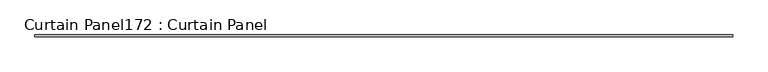
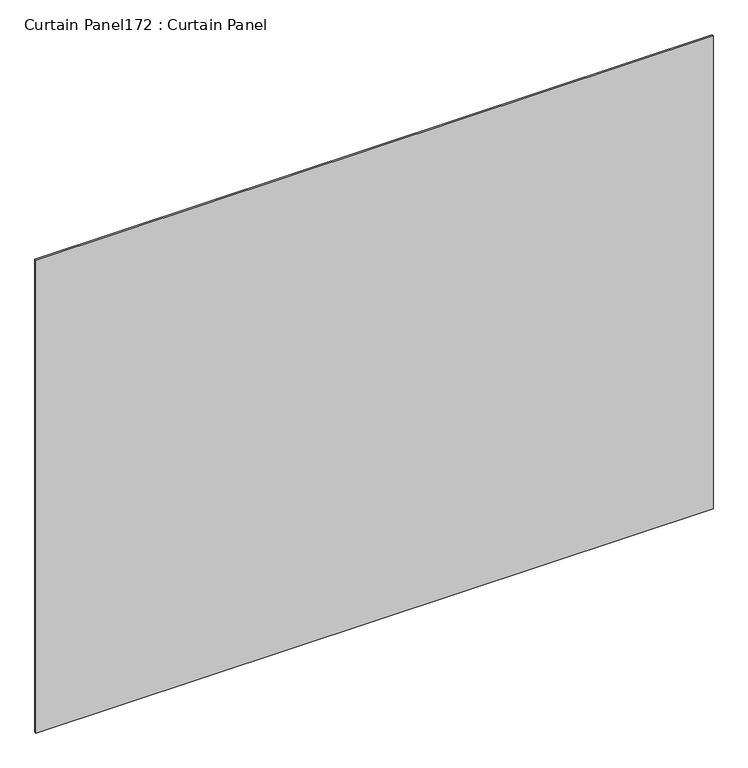
"""IFC4 building model written with IfcOpenShell, lengths in millimetres: plate geometry, Curtain Panel172 : Curtain Panel."""

from ifc_helpers import new_model, si_unit, frame, origin, place, context, project, spatial, polyline, outline, extrude, source, transform, mapped, element, save


def curtain_panel172_curtain_panel_fb2fa171(model_context):
    return source(origin(), model_context, "Body", "SweptSolid", [
        extrude(outline(polyline([(513636.7957972, 2644.7439437), (503578.3957972, 2644.7439437), (503578.3957972, 2670.1439437), (513636.7957972, 2670.1439437), (513636.7957972, 2644.7439437)])), frame((0.0, 0.0, 26325.2259342), z_axis=(0.0, 0.0, 1.0), x_axis=(1.0, 0.0, 0.0)), (0.0, 0.0, 1.0), 7427.5882284),
    ])


if __name__ == "__main__":
    model = new_model("IFC4")
    model_context = context("Model", 3, world=origin())
    ifc_project = project(units=[si_unit("LENGTHUNIT", "METRE", prefix="MILLI")], contexts=[model_context])
    site = spatial("IfcSite", under=ifc_project)
    building = spatial("IfcBuilding", under=site)
    placement = place(None, origin())
    curtain_panel172_curtain_panel_shape = curtain_panel172_curtain_panel_fb2fa171(model_context)
    element("IfcPlate", 1, ObjectType="Curtain Panel172 : Curtain Panel", at=placement, inside=building, context=model_context, shape_type="MappedRepresentation", body=[
        mapped(curtain_panel172_curtain_panel_shape, transform((0.0, 0.0, 0.0), x_axis=(1.0, 0.0, 0.0), y_axis=(0.0, 1.0, 0.0), z_axis=(0.0, 0.0, 1.0))),
    ])
    save(model, "model.ifc")
